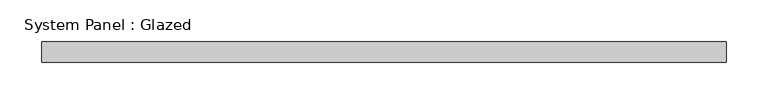
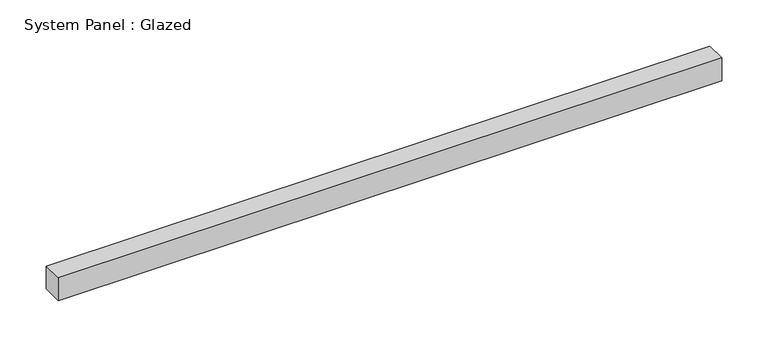
"""IFC4 building model written with IfcOpenShell, lengths in millimetres: plate geometry, System Panel : Glazed."""

from ifc_helpers import new_model, si_unit, origin, origin_with_axes, place, context, project, spatial, polyline, outline, extrude, source, transform, mapped, element, save


def system_panel_glazed_3533981d(model_context):
    return source(origin(), model_context, "Body", "SweptSolid", [
        extrude(outline(polyline([(412.5, 24.5), (-412.5, 24.5), (-412.5, 49.5), (412.5, 49.5), (412.5, 24.5)])), origin_with_axes(), (0.0, 0.0, 1.0), 30.0),
    ])


if __name__ == "__main__":
    model = new_model("IFC4")
    model_context = context("Model", 3, world=origin())
    ifc_project = project(units=[si_unit("LENGTHUNIT", "METRE", prefix="MILLI")], contexts=[model_context])
    site = spatial("IfcSite", under=ifc_project)
    building = spatial("IfcBuilding", under=site)
    placement = place(None, origin())
    system_panel_glazed_shape = system_panel_glazed_3533981d(model_context)
    element("IfcPlate", 1, ObjectType="System Panel : Glazed", at=placement, inside=building, context=model_context, shape_type="MappedRepresentation", body=[
        mapped(system_panel_glazed_shape, transform((0.0, 0.0, 0.0), x_axis=(1.0, 0.0, 0.0), y_axis=(0.0, 1.0, 0.0), z_axis=(0.0, 0.0, 1.0))),
    ])
    save(model, "model.ifc")
